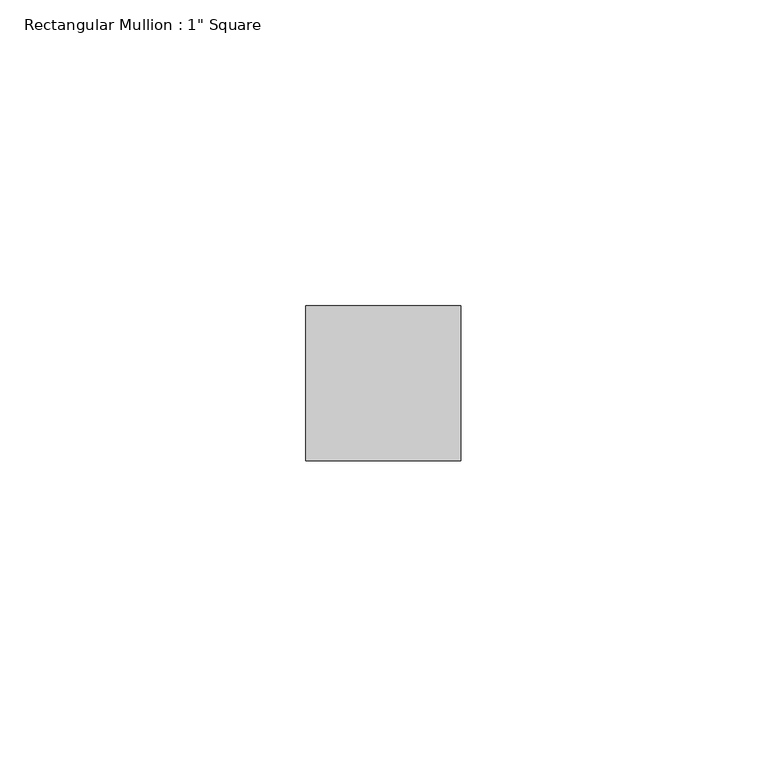
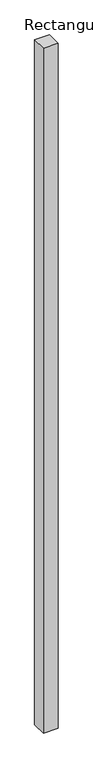
"""IFC4 building model written with IfcOpenShell, lengths in millimetres: member geometry."""

from ifc_helpers import new_model, si_unit, frame, origin, place, context, project, spatial, polyline, outline, extrude, source, transform, mapped, element, save


def member_f9131e2d(model_context):
    return source(origin(), model_context, "Body", "SweptSolid", [
        extrude(outline(polyline([(12.7, 12.7), (12.7, -12.7), (-12.7, -12.7), (-12.7, 12.7), (12.7, 12.7)])), frame((0.0, 0.0, -1231.9), z_axis=(0.0, 0.0, 1.0), x_axis=(1.0, 0.0, 0.0)), (0.0, 0.0, 1.0), 1231.9),
    ])


if __name__ == "__main__":
    model = new_model("IFC4")
    model_context = context("Model", 3, world=origin())
    ifc_project = project(units=[si_unit("LENGTHUNIT", "METRE", prefix="MILLI")], contexts=[model_context])
    site = spatial("IfcSite", under=ifc_project)
    building = spatial("IfcBuilding", under=site)
    placement = place(None, origin())
    member_shape = member_f9131e2d(model_context)
    element("IfcMember", 1, ObjectType="Rectangular Mullion : 1\" Square", at=placement, inside=building, context=model_context, shape_type="MappedRepresentation", body=[
        mapped(member_shape, transform((0.0, 0.0, 0.0), x_axis=(1.0, 0.0, 0.0), y_axis=(0.0, 1.0, 0.0), z_axis=(0.0, 0.0, 1.0))),
    ])
    save(model, "model.ifc")
